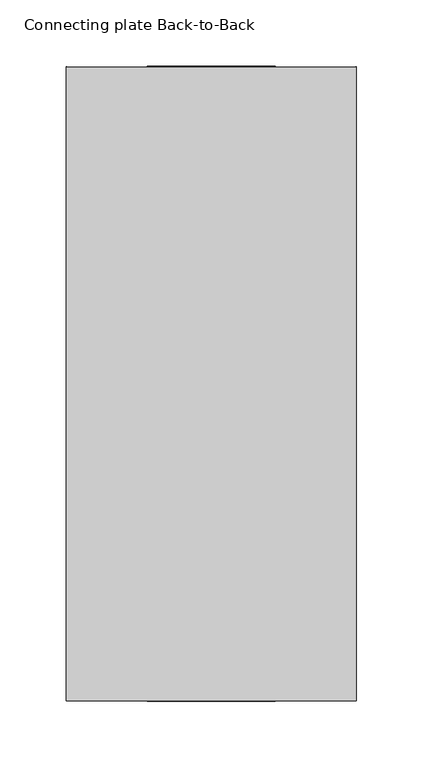
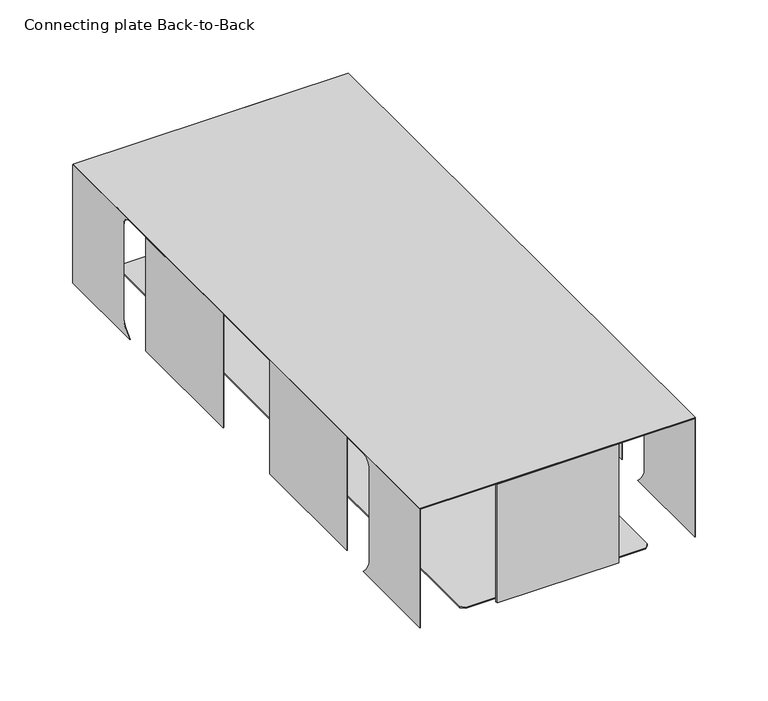
"""IFC4 building model written with IfcOpenShell, lengths in millimetres: furniture geometry, Connecting plate Back-to-Back."""

from ifc_helpers import new_model, si_unit, point, frame, frame_2d, origin, place, context, project, spatial, polyline, circle_curve, trimmed, segment, composite_curve, outline, extrude, source, transform, mapped, element, save


def connecting_plate_back_to_back_4c7bc8f2(model_context):
    return source(origin(), model_context, "Body", "SweptSolid", [
        extrude(outline(composite_curve([segment(polyline([(169.7054117, 347.0589395), (169.7054117, 426.2735447)]), True, "CONTINUOUS"), segment(trimmed(circle_curve(frame_2d((161.150883, 426.2735447)), 8.5545287), [point((169.7054117, 426.2735447))], [point((161.150883, 434.8280734))], True, "CARTESIAN"), True, "CONTINUOUS"), segment(polyline([(161.150883, 434.8280734), (239.74287, 434.8280734), (239.74287, 334.8532165), (161.150883, 334.8532165)]), True, "CONTINUOUS"), segment(trimmed(circle_curve(frame_2d((144.8150393, 355.4030243)), 26.2517502), [point((161.150883, 334.8532165))], [point((169.7054117, 347.0589395))], True, "CARTESIAN"), True, "CONTINUOUS")], self_intersect=False)), frame((-97.0226026, 0.0, 0.0), z_axis=(1.0, 0.0, 0.0), x_axis=(0.0, 1.0, 0.0)), (0.0, 0.0, 1.0), 0.3809996),
        extrude(outline(composite_curve([segment(polyline([(347.0589395, -169.7054117), (426.2735447, -169.7054117)]), True, "CONTINUOUS"), segment(trimmed(circle_curve(frame_2d((426.2735447, -161.150883)), 8.5545287), [point((426.2735447, -169.7054117))], [point((434.8280734, -161.150883))], True, "CARTESIAN"), True, "CONTINUOUS"), segment(polyline([(434.8280734, -161.150883), (434.8280734, -239.74287), (334.8532165, -239.74287), (334.8532165, -161.150883)]), True, "CONTINUOUS"), segment(trimmed(circle_curve(frame_2d((355.4030243, -144.8150393)), 26.2517502), [point((334.8532165, -161.150883))], [point((347.0589395, -169.7054117))], True, "CARTESIAN"), True, "CONTINUOUS")], self_intersect=False)), frame((-96.6416029, 0.0, 0.0), z_axis=(-1.0, 0.0, 0.0), x_axis=(0.0, 0.0, 1.0)), (0.0, 0.0, 1.0), 0.3809996),
        extrude(outline(composite_curve([segment(polyline([(169.7054117, 347.0589395), (169.7054117, 426.2735447)]), True, "CONTINUOUS"), segment(trimmed(circle_curve(frame_2d((161.150883, 426.2735447)), 8.5545287), [point((169.7054117, 426.2735447))], [point((161.150883, 434.8280734))], True, "CARTESIAN"), True, "CONTINUOUS"), segment(polyline([(161.150883, 434.8280734), (239.74287, 434.8280734), (239.74287, 334.8532165), (161.150883, 334.8532165)]), True, "CONTINUOUS"), segment(trimmed(circle_curve(frame_2d((144.8150393, 355.4030243)), 26.2517502), [point((161.150883, 334.8532165))], [point((169.7054117, 347.0589395))], True, "CARTESIAN"), True, "CONTINUOUS")], self_intersect=False)), frame((122.0422418, 0.0, 0.0), z_axis=(1.0, 0.0, 0.0), x_axis=(0.0, 1.0, 0.0)), (0.0, 0.0, 1.0), 0.3809996),
        extrude(outline(composite_curve([segment(polyline([(347.0589395, -169.7054117), (426.2735447, -169.7054117)]), True, "CONTINUOUS"), segment(trimmed(circle_curve(frame_2d((426.2735447, -161.150883)), 8.5545287), [point((426.2735447, -169.7054117))], [point((434.8280734, -161.150883))], True, "CARTESIAN"), True, "CONTINUOUS"), segment(polyline([(434.8280734, -161.150883), (434.8280734, -239.74287), (334.8532165, -239.74287), (334.8532165, -161.150883)]), True, "CONTINUOUS"), segment(trimmed(circle_curve(frame_2d((355.4030243, -144.8150393)), 26.2517502), [point((334.8532165, -161.150883))], [point((347.0589395, -169.7054117))], True, "CARTESIAN"), True, "CONTINUOUS")], self_intersect=False)), frame((122.4232414, 0.0, 0.0), z_axis=(-1.0, 0.0, 0.0), x_axis=(0.0, 0.0, 1.0)), (0.0, 0.0, 1.0), 0.3809996),
        extrude(outline(polyline([(-97.0226253, 31.9531822), (-97.0226253, 138.7006908), (-96.6416256, 138.7006908), (-96.6416256, 31.9531822), (-97.0226253, 31.9531822)])), frame((0.0, 0.0, 338.9172126), z_axis=(0.0, 0.0, 1.0), x_axis=(1.0, 0.0, 0.0)), (0.0, 0.0, 1.0), 95.9108608),
        extrude(outline(polyline([(-97.0226253, -138.7006908), (-97.0226253, -31.9531822), (-96.6416256, -31.9531822), (-96.6416256, -138.7006908), (-97.0226253, -138.7006908)])), frame((0.0, 0.0, 338.9172126), z_axis=(0.0, 0.0, 1.0), x_axis=(1.0, 0.0, 0.0)), (0.0, 0.0, 1.0), 95.9108608),
        extrude(outline(polyline([(122.4232596, 138.7006908), (122.4232596, 31.9531822), (122.04226, 31.9531822), (122.04226, 138.7006908), (122.4232596, 138.7006908)])), frame((0.0, 0.0, 338.9172126), z_axis=(0.0, 0.0, 1.0), x_axis=(1.0, 0.0, 0.0)), (0.0, 0.0, 1.0), 95.9108608),
        extrude(outline(polyline([(122.4232596, -31.9531822), (122.4232596, -138.7006908), (122.04226, -138.7006908), (122.04226, -31.9531822), (122.4232596, -31.9531822)])), frame((0.0, 0.0, 338.9172126), z_axis=(0.0, 0.0, 1.0), x_axis=(1.0, 0.0, 0.0)), (0.0, 0.0, 1.0), 95.9108608),
        extrude(outline(polyline([(-35.7781214, 240.2768459), (61.1787557, 240.2768459), (61.1787557, 238.5071906), (-35.7781214, 238.5071906), (-35.7781214, 240.2768459)])), frame((0.0, 0.0, 334.8532165), z_axis=(0.0, 0.0, 1.0), x_axis=(1.0, 0.0, 0.0)), (0.0, 0.0, 1.0), 99.9748569),
        extrude(outline(polyline([(61.1787557, -240.2768459), (-35.7781214, -240.2768459), (-35.7781214, -238.5071906), (61.1787557, -238.5071906), (61.1787557, -240.2768459)])), frame((0.0, 0.0, 334.8532165), z_axis=(0.0, 0.0, 1.0), x_axis=(1.0, 0.0, 0.0)), (0.0, 0.0, 1.0), 99.9748569),
        extrude(outline(polyline([(122.4232414, 239.3104654), (122.4232414, -239.74287), (-97.0226026, -239.74287), (-97.0226026, 239.3104654), (122.4232414, 239.3104654)])), frame((0.0, 0.0, 434.8280734), z_axis=(0.0, 0.0, 1.0), x_axis=(1.0, 0.0, 0.0)), (0.0, 0.0, 1.0), 0.7620174),
        extrude(outline(polyline([(-62.1496721, -234.1193942), (-62.1496721, 235.7704381), (-58.9746706, 238.9454441), (84.3753095, 238.9454441), (87.5503065, 235.7704381), (87.5503065, -234.1193942), (84.3753095, -237.2944003), (-58.9746706, -237.2944003), (-62.1496721, -234.1193942)])), frame((0.0, 0.0, 336.3721281), z_axis=(0.0, 0.0, 1.0), x_axis=(1.0, 0.0, 0.0)), (0.0, 0.0, 1.0), 1.2141337),
    ])


if __name__ == "__main__":
    model = new_model("IFC4")
    model_context = context("Model", 3, world=origin())
    ifc_project = project(units=[si_unit("LENGTHUNIT", "METRE", prefix="MILLI")], contexts=[model_context])
    site = spatial("IfcSite", under=ifc_project)
    building = spatial("IfcBuilding", under=site)
    placement = place(None, origin())
    connecting_plate_back_to_back_shape = connecting_plate_back_to_back_4c7bc8f2(model_context)
    element("IfcFurniture", 1, ObjectType="Connecting plate Back-to-Back", at=placement, inside=building, context=model_context, shape_type="MappedRepresentation", body=[
        mapped(connecting_plate_back_to_back_shape, transform((0.0, 0.0, 0.0), x_axis=(1.0, 0.0, 0.0), y_axis=(0.0, 1.0, 0.0), z_axis=(0.0, 0.0, 1.0))),
    ])
    save(model, "model.ifc")
